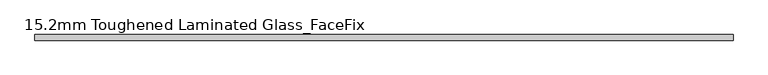
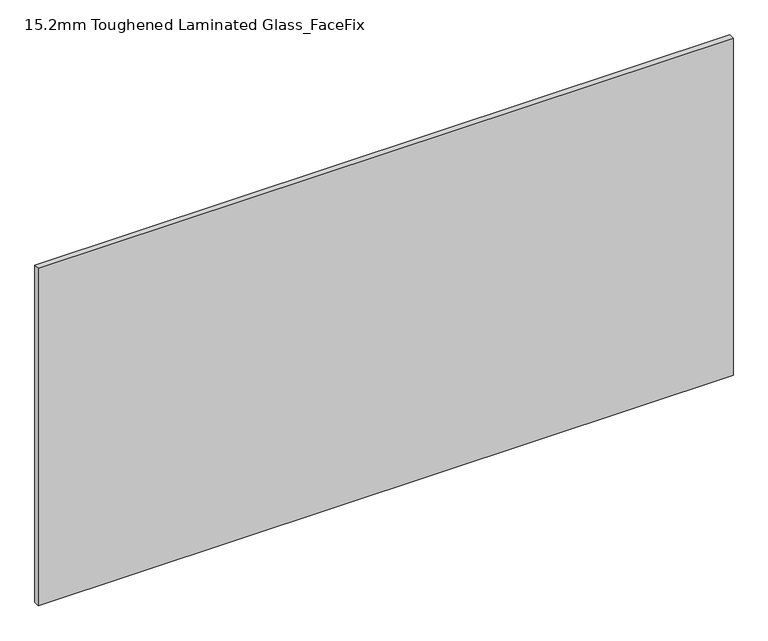
"""IFC4 building model written with IfcOpenShell, lengths in millimetres: plate geometry, 15.2mm Toughened Laminated Glass_FaceFix."""

from ifc_helpers import new_model, si_unit, origin, origin_with_axes, place, context, project, spatial, polyline, outline, extrude, source, transform, mapped, element, save


def plate_15_2mm_toughened_laminated_glass_facefix_840f60fb(model_context):
    return source(origin(), model_context, "Body", "SweptSolid", [
        extrude(outline(polyline([(945.0000001, -24.4), (945.0000001, -39.6), (-945.0000001, -39.6), (-945.0000001, -24.4), (945.0000001, -24.4)])), origin_with_axes(), (0.0, 0.0, 1.0), 970.0),
    ])


if __name__ == "__main__":
    model = new_model("IFC4")
    model_context = context("Model", 3, world=origin())
    ifc_project = project(units=[si_unit("LENGTHUNIT", "METRE", prefix="MILLI")], contexts=[model_context])
    site = spatial("IfcSite", under=ifc_project)
    building = spatial("IfcBuilding", under=site)
    placement = place(None, origin())
    plate_15_2mm_toughened_laminated_glass_facefix_shape = plate_15_2mm_toughened_laminated_glass_facefix_840f60fb(model_context)
    element("IfcPlate", 1, ObjectType="15.2mm Toughened Laminated Glass_FaceFix", at=placement, inside=building, context=model_context, shape_type="MappedRepresentation", body=[
        mapped(plate_15_2mm_toughened_laminated_glass_facefix_shape, transform((0.0, 0.0, 0.0), x_axis=(1.0, 0.0, 0.0), y_axis=(0.0, 1.0, 0.0), z_axis=(0.0, 0.0, 1.0))),
    ])
    save(model, "model.ifc")
